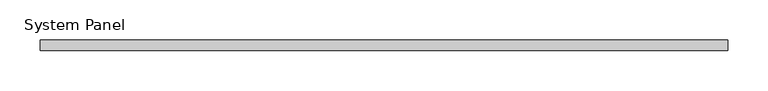
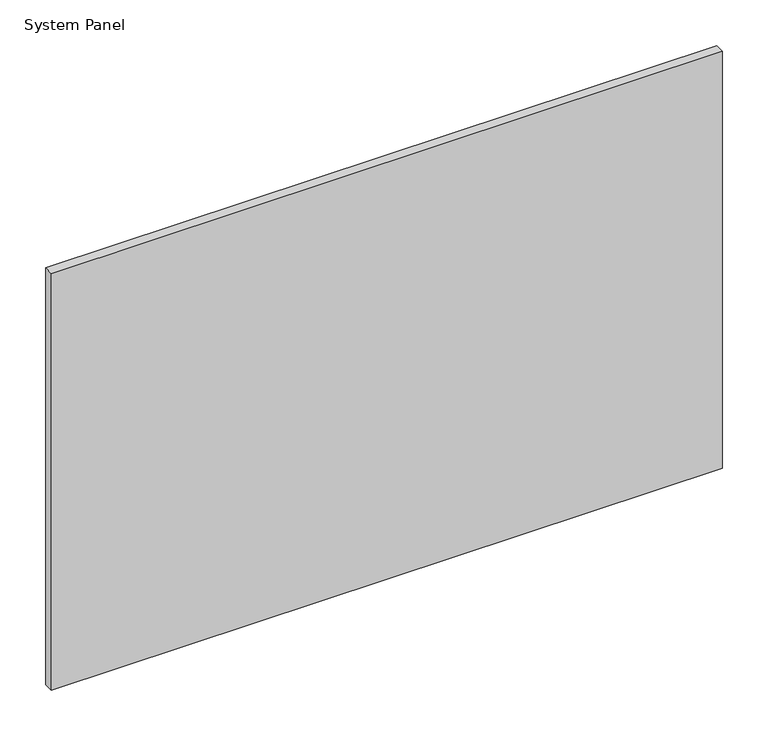
"""IFC4 building model written with IfcOpenShell, lengths in millimetres: plate geometry, System Panel."""

from ifc_helpers import new_model, si_unit, origin, origin_with_axes, place, context, project, spatial, polyline, outline, extrude, source, transform, mapped, element, save


def system_panel_8dbdd120(model_context):
    return source(origin(), model_context, "Body", "SweptSolid", [
        extrude(outline(polyline([(425.45, -12.7), (-425.45, -12.7), (-425.45, 0.0), (425.45, 0.0), (425.45, -12.7)])), origin_with_axes(), (0.0, 0.0, 1.0), 558.6260192),
    ])


if __name__ == "__main__":
    model = new_model("IFC4")
    model_context = context("Model", 3, world=origin())
    ifc_project = project(units=[si_unit("LENGTHUNIT", "METRE", prefix="MILLI")], contexts=[model_context])
    site = spatial("IfcSite", under=ifc_project)
    building = spatial("IfcBuilding", under=site)
    placement = place(None, origin())
    system_panel_shape = system_panel_8dbdd120(model_context)
    element("IfcPlate", 1, ObjectType="System Panel", at=placement, inside=building, context=model_context, shape_type="MappedRepresentation", body=[
        mapped(system_panel_shape, transform((0.0, 0.0, 0.0), x_axis=(1.0, 0.0, 0.0), y_axis=(0.0, 1.0, 0.0), z_axis=(0.0, 0.0, 1.0))),
    ])
    save(model, "model.ifc")
